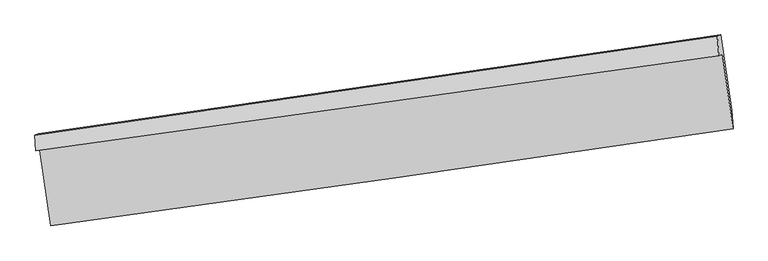
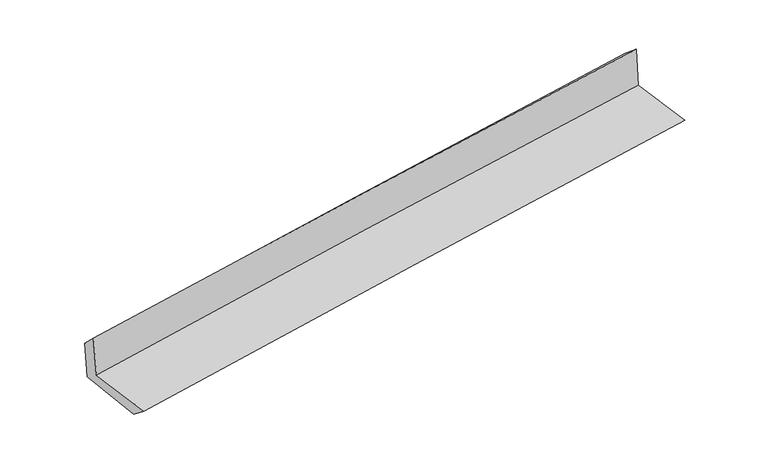
"""IFC4 building model written with IfcOpenShell, lengths in millimetres: proxy geometry."""

from ifc_helpers import new_model, si_unit, frame, origin, place, context, project, spatial, source, transform, mapped, element, save
from ifc_brep_helpers import plane_surface, spline_curve, spline_surface, advanced_brep


def generic_models_926baa40(model_context):
    return source(origin(), model_context, "Body", "AdvancedBrep", [
        advanced_brep(
        [(-2992.0381883, -1923.1787134, 1642.1809736), (-2897.1601143, -2582.5724994, 1626.7682205), (3037.3680819, -1739.6273726, 2135.3904891), (2944.5792799, -1091.2953401, 2145.6407402), (-3024.7528822, -1928.0271382, 2047.790362), (2913.6070831, -1105.0988506, 2545.5281957), (-3033.0567587, -1793.2863485, 1916.3533142), (2900.9434027, -934.816409, 2406.0545455), (-3003.9054864, -1780.2943772, 1539.9761349), (2930.0901243, -921.8264658, 2029.73612), (-2908.4277189, -2431.8695305, 1503.8033631), (3026.1994934, -1578.3569869, 1993.2813502)],
        [
            (0, 1),
            (1, 2, spline_curve(3, [(-2897.1601143, -2582.5724994, 1626.7682205), (-1906.25997215, -2447.587543287, 1724.16785486), (-915.391547129, -2309.720351673, 1815.316769177), (1062.784294578, -2028.718330525, 1984.813473923), (2050.091935136, -1885.603813389, 2063.205315838), (3037.3680819, -1739.6273726, 2135.3904891)], [4, 2, 4], [0.0, 9.885807669078513, 19.736719243497248])),
            (2, 3),
            (3, 0, spline_curve(3, [(2944.5792799, -1091.2953401, 2145.6407402), (1955.639952181, -1225.869906005, 2069.410895931), (967.325759817, -1362.35484992, 1989.421831612), (-1011.551166342, -1639.635748837, 1821.628589947), (-2002.109463507, -1780.445262554, 1733.797732421), (-2992.0381883, -1923.1787134, 1642.1809736)], [4, 2, 4], [0.0, 9.850911574418735, 19.736719243497248])),
            (4, 0),
            (3, 5),
            (5, 4, spline_curve(3, [(2913.6070831, -1105.0988506, 2545.5281957), (1924.707696404, -1241.268978138, 2471.563830519), (936.26881468, -1377.809492923, 2393.18465105), (-1043.187775497, -1652.11629319, 2227.303373614), (-2034.202215528, -1789.885207738, 2139.769941497), (-3024.7528822, -1928.0271382, 2047.790362)], [4, 2, 4], [0.0, 9.850977182686814, 19.736850692445636])),
            (6, 4),
            (5, 7),
            (7, 6, spline_curve(3, [(2900.9434027, -934.816409, 2406.0545455), (1913.17502999, -1078.25727075, 2329.869549117), (925.664688316, -1221.390920212, 2251.045442203), (-1052.337196498, -1507.549747431, 2087.830429028), (-2042.826909186, -1650.572744015, 2003.420792615), (-3033.0567587, -1793.2863485, 1916.3533142)], [4, 2, 4], [0.0, 9.850916036537368, 19.736728183541228])),
            (8, 6),
            (7, 9),
            (9, 8, spline_curve(3, [(2930.0901243, -921.8264658, 2029.73612), (1942.325539753, -1065.265639312, 1953.502214152), (954.817473672, -1208.398275025, 1874.648729986), (-1023.182883954, -1494.556420812, 1711.413993774), (-2013.673354651, -1637.579755865, 1627.014149476), (-3003.9054864, -1780.2943772, 1539.9761349)], [4, 2, 4], [0.0, 9.850934069065651, 19.736764312476634])),
            (10, 8),
            (9, 11),
            (11, 10, spline_curve(3, [(3026.1994934, -1578.3569869, 1993.2813502), (2039.402506673, -1725.852495629, 1916.849476316), (1052.326647484, -1870.605396247, 1837.920250477), (-925.880444088, -2155.129042866, 1674.778645947), (-1917.013655534, -2294.880323213, 1590.548543234), (-2908.4277189, -2431.8695305, 1503.8033631)], [4, 2, 4], [0.0, 9.85085772887643, 19.736611361668956])),
            (1, 10),
            (11, 2),
        ],
        [
            spline_surface(3, 3, [[(-2992.0381883, -1923.1787134, 1642.1809736), (-2002.109463415, -1780.445262717, 1733.797732298), (-1011.551166393, -1639.635748918, 1821.628590016), (967.325759869, -1362.354849839, 1989.421831543), (1955.639952188, -1225.869905911, 2069.410896031), (2944.5792799, -1091.2953401, 2145.6407402)], [(-2960.412163629, -2142.976642065, 1637.04338921), (-1970.159632946, -2002.826022958, 1730.587773098), (-979.497960021, -1862.997283172, 1819.524649692), (999.145271445, -1584.476010068, 1987.885712392), (1987.123946519, -1445.781208406, 2067.342369345), (2975.508880542, -1307.406017599, 2142.223989833)], [(-2928.786138971, -2362.774570735, 1631.90580489), (-1938.209802489, -2225.206783205, 1727.37781397), (-947.444753585, -2086.358817422, 1817.420709351), (1030.964783085, -1806.597170294, 1986.349593223), (2018.607940924, -1665.692510903, 2065.273842659), (3006.438481258, -1523.516695101, 2138.807239467)], [(-2897.1601143, -2582.5724994, 1626.7682205), (-1906.25997202, -2447.587543446, 1724.16785477), (-915.391547213, -2309.720351676, 1815.316769028), (1062.784294662, -2028.718330522, 1984.813474071), (2050.091935255, -1885.603813397, 2063.205315972), (3037.3680819, -1739.6273726, 2135.3904891)]], [4, 4], [4, 2, 4], [0.0, 2.2148501910203717], [0.0, 9.885807669078513, 19.736719243497248]),
            spline_surface(3, 3, [[(-3024.7528822, -1928.0271382, 2047.790362), (-2034.202215635, -1789.885207701, 2139.769941599), (-1043.18777548, -1652.11629328, 2227.303373549), (936.268814663, -1377.809492833, 2393.184651115), (1924.707696296, -1241.268978118, 2471.563830381), (2913.6070831, -1105.0988506, 2545.5281957)], [(-3013.847984245, -1926.410996594, 1912.58723256), (-2023.504631574, -1786.738559367, 2004.445871859), (-1032.642239096, -1647.956111826, 2092.078445696), (946.621129753, -1372.657945168, 2258.597044583), (1935.018448288, -1236.135954055, 2337.512852279), (2923.931148728, -1100.49768044, 2412.232377214)], [(-3002.943086255, -1924.794855006, 1777.38410304), (-2012.807047476, -1783.59191105, 1869.121802039), (-1022.096702777, -1643.795930372, 1956.853517868), (956.973444779, -1367.506397504, 2124.009438075), (1945.329200196, -1231.002929973, 2203.461874134), (2934.255214272, -1095.89651026, 2278.936558686)], [(-2992.0381883, -1923.1787134, 1642.1809736), (-2002.109463415, -1780.445262717, 1733.797732298), (-1011.551166393, -1639.635748918, 1821.628590016), (967.325759869, -1362.354849839, 1989.421831543), (1955.639952188, -1225.869905911, 2069.410896031), (2944.5792799, -1091.2953401, 2145.6407402)]], [4, 4], [4, 2, 4], [0.0, 1.3325932875343376], [0.0, 9.885873509758822, 19.736850692445636]),
            spline_surface(3, 3, [[(-3033.0567587, -1793.2863485, 1916.3533142), (-2042.826909059, -1650.572744146, 2003.420792465), (-1052.337196654, -1507.54974727, 2087.83042915), (925.664688471, -1221.390920372, 2251.045442083), (1913.175029917, -1078.257270733, 2329.869549211), (2900.9434027, -934.816409, 2406.0545455)], [(-3030.288799882, -1838.199945094, 1960.165663444), (-2039.952011266, -1697.010232025, 2048.87050882), (-1049.287389619, -1555.73859594, 2134.321410627), (929.199397179, -1273.530444526, 2298.425178438), (1917.019252043, -1132.594506515, 2377.100976277), (2905.1646295, -991.577222854, 2452.545762242)], [(-3027.520841018, -1883.113541606, 2003.978012756), (-2037.077113428, -1743.447719822, 2094.320225244), (-1046.237582514, -1603.92744461, 2180.812392071), (932.734105956, -1325.66996868, 2345.80491476), (1920.86347417, -1186.931742335, 2424.332403315), (2909.3858563, -1048.338036746, 2499.036978958)], [(-3024.7528822, -1928.0271382, 2047.790362), (-2034.202215635, -1789.885207701, 2139.769941599), (-1043.18777548, -1652.11629328, 2227.303373549), (936.268814663, -1377.809492833, 2393.184651115), (1924.707696296, -1241.268978118, 2471.563830381), (2913.6070831, -1105.0988506, 2545.5281957)]], [4, 4], [4, 2, 4], [0.0, 0.6768733251764141], [0.0, 9.88581214700386, 19.736728183541228]),
            spline_surface(3, 3, [[(-3003.9054864, -1780.2943772, 1539.9761349), (-2013.673354729, -1637.579755804, 1627.014149471), (-1023.182883897, -1494.556420959, 1711.413993784), (954.817473616, -1208.398274879, 1874.648729976), (1942.325539684, -1065.265639244, 1953.502214021), (2930.0901243, -921.8264658, 2029.73612)], [(-3013.622577165, -1784.625034296, 1665.435194677), (-2023.39120617, -1641.910751914, 1752.48303048), (-1032.900988151, -1498.887529741, 1836.886138897), (945.099878566, -1212.729156722, 2000.114300669), (1932.608703071, -1069.596183071, 2078.9579924), (2920.374550409, -926.156446864, 2155.175595149)], [(-3023.339667935, -1788.955691404, 1790.894254423), (-2033.109057617, -1646.241748036, 1877.951911457), (-1042.6190924, -1503.218638488, 1962.358284037), (935.382283522, -1217.06003853, 2125.579871389), (1922.89186653, -1073.926726906, 2204.413770832), (2910.658976591, -930.486427936, 2280.615070351)], [(-3033.0567587, -1793.2863485, 1916.3533142), (-2042.826909059, -1650.572744146, 2003.420792465), (-1052.337196654, -1507.54974727, 2087.83042915), (925.664688471, -1221.390920372, 2251.045442083), (1913.175029917, -1078.257270733, 2329.869549211), (2900.9434027, -934.816409, 2406.0545455)]], [4, 4], [4, 2, 4], [0.0, 1.2393616739637596], [0.0, 9.885830243410982, 19.736764312476634]),
            spline_surface(3, 3, [[(-2908.4277189, -2431.8695305, 1503.8033631), (-1917.013655605, -2294.880323284, 1590.548543115), (-925.880444046, -2155.129042828, 1674.778646036), (1052.326647443, -1870.605396285, 1837.920250389), (2039.40250667, -1725.852495488, 1916.849476471), (3026.1994934, -1578.3569869, 1993.2813502)], [(-2940.253641387, -2214.67781274, 1515.860953701), (-1949.2335553, -2075.78013413, 1602.703745235), (-958.314590637, -1934.938168856, 1686.990428624), (1019.823589527, -1649.869689134, 1850.163076924), (2007.043517698, -1505.656876727, 1929.067055646), (2994.163037056, -1359.513479853, 2005.432940125)], [(-2972.079563913, -1997.48609496, 1527.918544299), (-1981.453455034, -1856.679944957, 1614.858947351), (-990.748737307, -1714.747294931, 1699.202211195), (987.320531532, -1429.13398203, 1862.405903441), (1974.684528657, -1285.461258006, 1941.284634846), (2962.126580644, -1140.669972847, 2017.584530075)], [(-3003.9054864, -1780.2943772, 1539.9761349), (-2013.673354729, -1637.579755804, 1627.014149471), (-1023.182883897, -1494.556420959, 1711.413993784), (954.817473616, -1208.398274879, 1874.648729976), (1942.325539684, -1065.265639244, 1953.502214021), (2930.0901243, -921.8264658, 2029.73612)]], [4, 4], [4, 2, 4], [0.0, 2.1966100966190445], [0.0, 9.885753632792525, 19.736611361668956]),
            spline_surface(3, 3, [[(-2897.1601143, -2582.5724994, 1626.7682205), (-1906.25997202, -2447.587543446, 1724.16785477), (-915.391547213, -2309.720351676, 1815.316769028), (1062.784294662, -2028.718330522, 1984.813474071), (2050.091935255, -1885.603813397, 2063.205315972), (3037.3680819, -1739.6273726, 2135.3904891)], [(-2900.915982492, -2532.338176411, 1585.779934709), (-1909.844533206, -2396.685136703, 1679.628084227), (-918.887846159, -2258.189915397, 1768.470728024), (1059.298412254, -1976.014019113, 1935.849066171), (2046.528792392, -1832.353374117, 2014.420036141), (3033.645219065, -1685.870577389, 2088.020776136)], [(-2904.671850708, -2482.103853489, 1544.791648891), (-1913.429094418, -2345.782730027, 1635.088313657), (-922.384145101, -2206.659479107, 1721.624687039), (1055.81252985, -1923.309707694, 1886.884658289), (2042.965649533, -1779.102934769, 1965.634756302), (3029.922356235, -1632.113782111, 2040.651063164)], [(-2908.4277189, -2431.8695305, 1503.8033631), (-1917.013655605, -2294.880323284, 1590.548543115), (-925.880444046, -2155.129042828, 1674.778646036), (1052.326647443, -1870.605396285, 1837.920250389), (2039.40250667, -1725.852495488, 1916.849476471), (3026.1994934, -1578.3569869, 1993.2813502)]], [4, 4], [4, 2, 4], [0.0, 0.6975522724932122], [0.0, 9.885732646591586, 19.736569463346655]),
            plane_surface(frame((2958.7979109, -1228.5035708, 2209.2719068), z_axis=(0.9868186380068289, 0.1399479852048223, 0.0812621505958246), x_axis=(-0.07717532123338297, -0.03439505306735716, 0.9964240814618132))),
            plane_surface(frame((-2976.5568581, -2073.2047679, 1712.8120614), z_axis=(-0.9867985315439866, -0.1400877930983778, -0.08126541925971963), x_axis=(-0.14238197897004637, 0.9895415052181155, 0.023129667426049945))),
        ],
        [
            (0, [[1, 2, 3, 4]]),
            (1, [[5, -4, 6, 7]]),
            (2, [[8, -7, 9, 10]]),
            (3, [[11, -10, 12, 13]]),
            (4, [[14, -13, 15, 16]]),
            (5, [[17, -16, 18, -2]]),
            (6, [[-12, -9, -6, -3, -18, -15]]),
            (7, [[-1, -5, -8, -11, -14, -17]]),
        ],
    ),
    ])


if __name__ == "__main__":
    model = new_model("IFC4")
    model_context = context("Model", 3, world=origin())
    ifc_project = project(units=[si_unit("LENGTHUNIT", "METRE", prefix="MILLI")], contexts=[model_context])
    site = spatial("IfcSite", under=ifc_project)
    building = spatial("IfcBuilding", under=site)
    placement = place(None, origin())
    generic_models_shape = generic_models_926baa40(model_context)
    element("IfcBuildingElementProxy", 1, Name="Generic Models", at=placement, inside=building, context=model_context, shape_type="MappedRepresentation", body=[
        mapped(generic_models_shape, transform((0.0, 0.0, 0.0), x_axis=(1.0, 0.0, 0.0), y_axis=(0.0, 1.0, 0.0), z_axis=(0.0, 0.0, 1.0))),
    ])
    save(model, "model.ifc")
